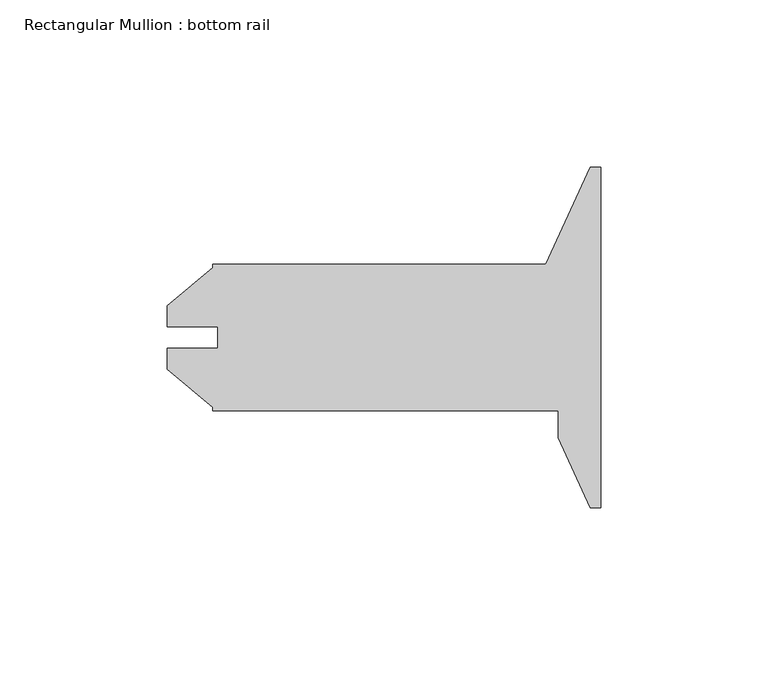
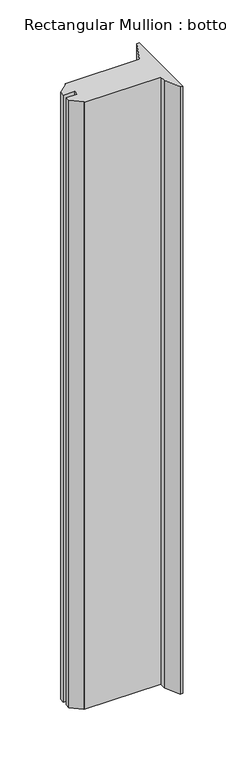
"""IFC4 building model written with IfcOpenShell, lengths in millimetres: member geometry, Rectangular Mullion : bottom rail."""

from ifc_helpers import new_model, si_unit, frame, origin, place, context, project, spatial, polyline, outline, extrude, source, transform, mapped, element, save


def rectangular_mullion_bottom_rail_dd6f9a69(model_context):
    return source(origin(), model_context, "Body", "SweptSolid", [
        extrude(outline(polyline([(-129.3508136, -60.332334), (-129.3508136, -53.9620621), (-114.3140136, -53.9620621), (-114.3140136, -47.6379379), (-129.3508136, -47.6379379), (-129.3508136, -41.267666), (-115.8888136, -29.9717067), (-115.8888136, -28.9052), (-16.4137839, -28.9052), (-3.1128035, 0.0), (0.0, 0.0), (0.0, -101.6), (-3.1128035, -101.6), (-12.7, -80.7654582), (-12.7, -72.6948), (-115.8888136, -72.6948), (-115.8888136, -71.6282933), (-129.3508136, -60.332334)])), frame((0.0, 0.0, -863.6), z_axis=(0.0, 0.0, 1.0), x_axis=(1.0, 0.0, 0.0)), (0.0, 0.0, 1.0), 863.6),
    ])


if __name__ == "__main__":
    model = new_model("IFC4")
    model_context = context("Model", 3, world=origin())
    ifc_project = project(units=[si_unit("LENGTHUNIT", "METRE", prefix="MILLI")], contexts=[model_context])
    site = spatial("IfcSite", under=ifc_project)
    building = spatial("IfcBuilding", under=site)
    placement = place(None, origin())
    rectangular_mullion_bottom_rail_shape = rectangular_mullion_bottom_rail_dd6f9a69(model_context)
    element("IfcMember", 1, ObjectType="Rectangular Mullion : bottom rail", at=placement, inside=building, context=model_context, shape_type="MappedRepresentation", body=[
        mapped(rectangular_mullion_bottom_rail_shape, transform((0.0, 0.0, 0.0), x_axis=(1.0, 0.0, 0.0), y_axis=(0.0, 1.0, 0.0), z_axis=(0.0, 0.0, 1.0))),
    ])
    save(model, "model.ifc")
